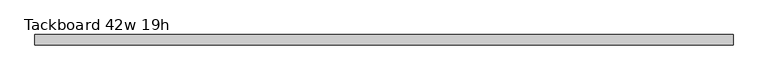
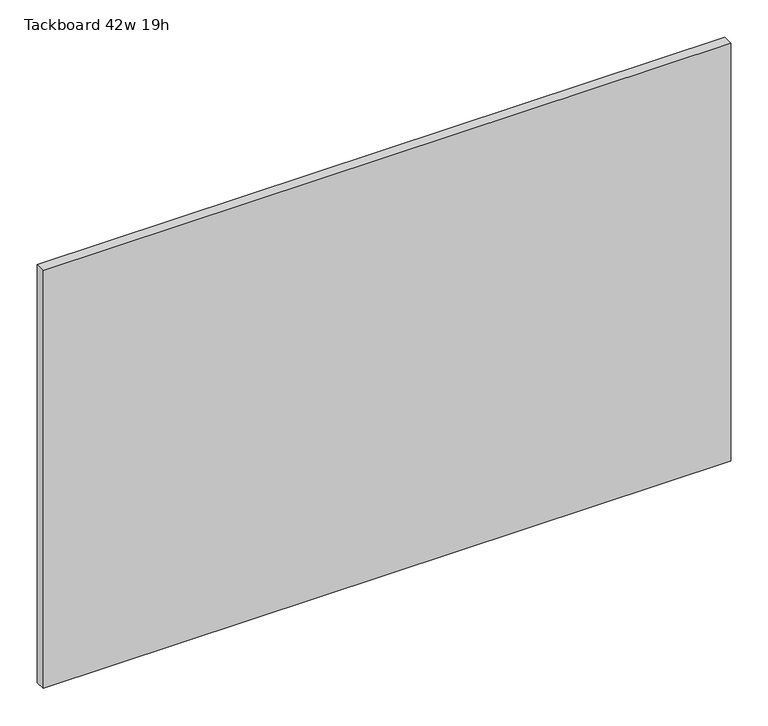
"""IFC4 building model written with IfcOpenShell, lengths in millimetres: furniture geometry, Tackboard 42w 19h."""

from ifc_helpers import new_model, si_unit, frame, origin, place, context, project, spatial, polyline, outline, extrude, source, transform, mapped, element, save


def tackboard_42w_19h_ec0f1b45(model_context):
    return source(origin(), model_context, "Body", "SweptSolid", [
        extrude(outline(polyline([(535.8402902, -28.8968594), (-530.9597098, -28.8968594), (-530.9597098, -13.0218594), (535.8402902, -13.0218594), (535.8402902, -28.8968594)])), frame((0.0, 0.0, 1066.8), z_axis=(0.0, 0.0, 1.0), x_axis=(1.0, 0.0, 0.0)), (0.0, 0.0, 1.0), 685.8),
    ])


if __name__ == "__main__":
    model = new_model("IFC4")
    model_context = context("Model", 3, world=origin())
    ifc_project = project(units=[si_unit("LENGTHUNIT", "METRE", prefix="MILLI")], contexts=[model_context])
    site = spatial("IfcSite", under=ifc_project)
    building = spatial("IfcBuilding", under=site)
    placement = place(None, origin())
    tackboard_42w_19h_shape = tackboard_42w_19h_ec0f1b45(model_context)
    element("IfcFurniture", 1, ObjectType="Tackboard 42w 19h", at=placement, inside=building, context=model_context, shape_type="MappedRepresentation", body=[
        mapped(tackboard_42w_19h_shape, transform((0.0, 0.0, 0.0), x_axis=(1.0, 0.0, 0.0), y_axis=(0.0, 1.0, 0.0), z_axis=(0.0, 0.0, 1.0))),
    ])
    save(model, "model.ifc")
